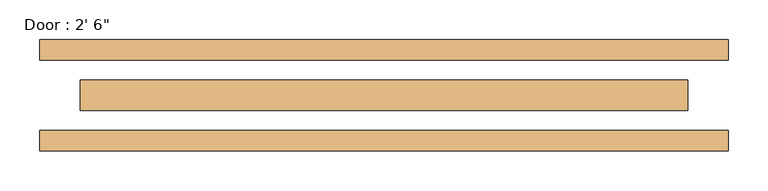
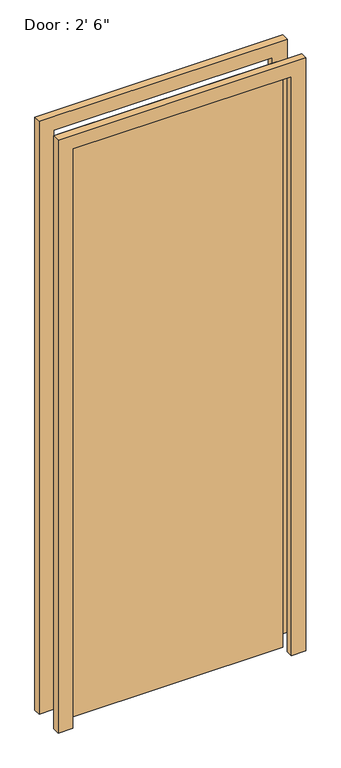
"""IFC4 building model written with IfcOpenShell, lengths in millimetres: door geometry."""

from ifc_helpers import new_model, si_unit, frame, origin, origin_with_axes, place, context, project, spatial, polyline, outline, extrude, source, transform, mapped, element, save


def door_10e41068(model_context):
    return source(origin(), model_context, "Body", "SweptSolid", [
        extrude(outline(polyline([(-381.0, -19.05), (-381.0, 19.05), (381.0, 19.05), (381.0, -19.05), (-381.0, -19.05)])), origin_with_axes(), (0.0, 0.0, 1.0), 2133.6),
        extrude(outline(polyline([(2133.6, -381.0), (2133.6, 381.0), (0.0, 381.0), (0.0, 431.8), (2184.4, 431.8), (2184.4, -431.8), (0.0, -431.8), (0.0, -381.0), (2133.6, -381.0)])), frame((0.0, 44.45, 0.0), z_axis=(0.0, 1.0, 0.0), x_axis=(0.0, 0.0, 1.0)), (0.0, 0.0, 1.0), 25.4),
        extrude(outline(polyline([(2133.6, -381.0), (2133.6, 381.0), (0.0, 381.0), (0.0, 431.8), (2184.4, 431.8), (2184.4, -431.8), (0.0, -431.8), (0.0, -381.0), (2133.6, -381.0)])), frame((0.0, -69.85, 0.0), z_axis=(0.0, 1.0, 0.0), x_axis=(0.0, 0.0, 1.0)), (0.0, 0.0, 1.0), 25.4),
    ])


if __name__ == "__main__":
    model = new_model("IFC4")
    model_context = context("Model", 3, world=origin())
    ifc_project = project(units=[si_unit("LENGTHUNIT", "METRE", prefix="MILLI")], contexts=[model_context])
    site = spatial("IfcSite", under=ifc_project)
    building = spatial("IfcBuilding", under=site)
    placement = place(None, origin())
    door_shape = door_10e41068(model_context)
    element("IfcDoor", 1, ObjectType="Door : 2' 6\"", at=placement, inside=building, context=model_context, shape_type="MappedRepresentation", body=[
        mapped(door_shape, transform((0.0, 0.0, 0.0), x_axis=(1.0, 0.0, 0.0), y_axis=(0.0, 1.0, 0.0), z_axis=(0.0, 0.0, 1.0))),
    ])
    save(model, "model.ifc")
